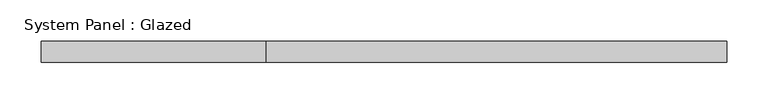
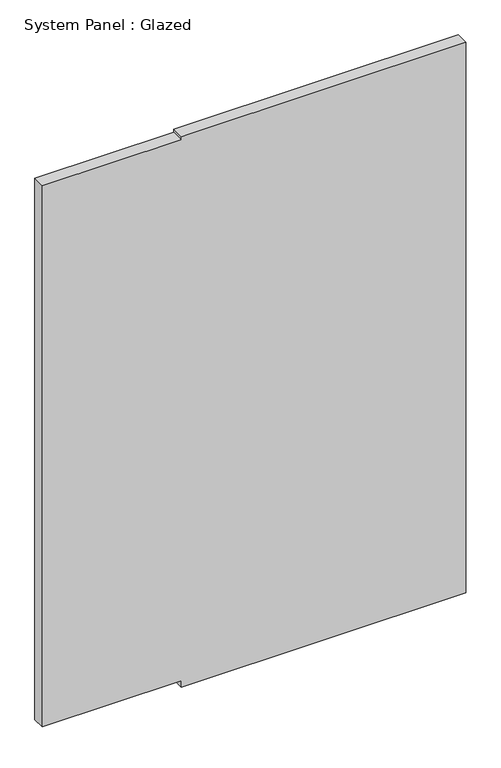
"""IFC4 building model written with IfcOpenShell, lengths in millimetres: plate geometry, System Panel : Glazed."""

from ifc_helpers import new_model, si_unit, frame, origin, place, context, project, spatial, polyline, outline, extrude, source, transform, mapped, element, save


def system_panel_glazed_aeffd00d(model_context):
    return source(origin(), model_context, "Body", "SweptSolid", [
        extrude(outline(polyline([(0.0, -142.875), (0.0, 415.925), (1143.0, 415.925), (1143.0, -142.875), (1136.65, -142.875), (1136.65, -415.925), (12.7, -415.925), (12.7, -142.875), (0.0, -142.875)])), frame((0.0, 19.05, 0.0), z_axis=(0.0, 1.0, 0.0), x_axis=(0.0, 0.0, 1.0)), (0.0, 0.0, 1.0), 25.4),
    ])


if __name__ == "__main__":
    model = new_model("IFC4")
    model_context = context("Model", 3, world=origin())
    ifc_project = project(units=[si_unit("LENGTHUNIT", "METRE", prefix="MILLI")], contexts=[model_context])
    site = spatial("IfcSite", under=ifc_project)
    building = spatial("IfcBuilding", under=site)
    placement = place(None, origin())
    system_panel_glazed_shape = system_panel_glazed_aeffd00d(model_context)
    element("IfcPlate", 1, ObjectType="System Panel : Glazed", at=placement, inside=building, context=model_context, shape_type="MappedRepresentation", body=[
        mapped(system_panel_glazed_shape, transform((0.0, 0.0, 0.0), x_axis=(1.0, 0.0, 0.0), y_axis=(0.0, 1.0, 0.0), z_axis=(0.0, 0.0, 1.0))),
    ])
    save(model, "model.ifc")
